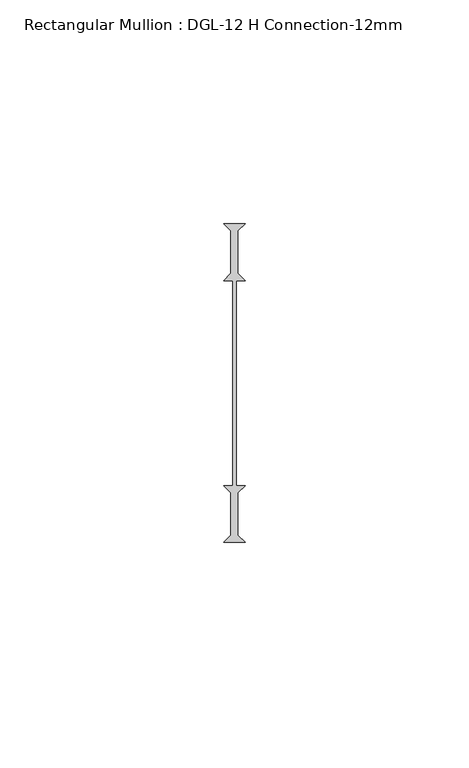
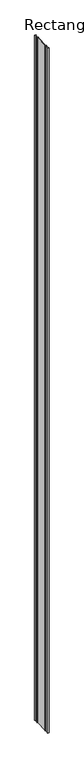
"""IFC4 building model written with IfcOpenShell, lengths in millimetres: member geometry, Rectangular Mullion : DGL-12 H Connection-12mm."""

from ifc_helpers import new_model, si_unit, frame, origin, place, context, project, spatial, polyline, outline, extrude, source, transform, mapped, element, save


def rectangular_mullion_dgl_12_h_connection_12mm_0c83de44(model_context):
    return source(origin(), model_context, "Body", "SweptSolid", [
        extrude(outline(polyline([(-2.38125, 34.9244785), (2.38125, 34.9244785), (0.79375, 33.3369785), (0.79375, 23.8119785), (2.38125, 22.2244785), (0.396875, 22.2244785), (0.396875, -23.6145417), (2.38125, -23.6145417), (0.79375, -25.2020417), (0.79375, -34.7270417), (2.38125, -36.3145417), (-2.38125, -36.3145417), (-0.79375, -34.7270417), (-0.79375, -25.2020417), (-2.38125, -23.6145417), (-0.396875, -23.6145417), (-0.396875, 22.2244785), (-2.38125, 22.2244785), (-0.79375, 23.8119785), (-0.79375, 33.3369785), (-2.38125, 34.9244785)])), frame((0.0, 0.0, -2339.4622278), z_axis=(0.0, 0.0, 1.0), x_axis=(1.0, 0.0, 0.0)), (0.0, 0.0, 1.0), 2339.4622278),
    ])


if __name__ == "__main__":
    model = new_model("IFC4")
    model_context = context("Model", 3, world=origin())
    ifc_project = project(units=[si_unit("LENGTHUNIT", "METRE", prefix="MILLI")], contexts=[model_context])
    site = spatial("IfcSite", under=ifc_project)
    building = spatial("IfcBuilding", under=site)
    placement = place(None, origin())
    rectangular_mullion_dgl_12_h_connection_12mm_shape = rectangular_mullion_dgl_12_h_connection_12mm_0c83de44(model_context)
    element("IfcMember", 1, ObjectType="Rectangular Mullion : DGL-12 H Connection-12mm", at=placement, inside=building, context=model_context, shape_type="MappedRepresentation", body=[
        mapped(rectangular_mullion_dgl_12_h_connection_12mm_shape, transform((0.0, 0.0, 0.0), x_axis=(1.0, 0.0, 0.0), y_axis=(0.0, 1.0, 0.0), z_axis=(0.0, 0.0, 1.0))),
    ])
    save(model, "model.ifc")
